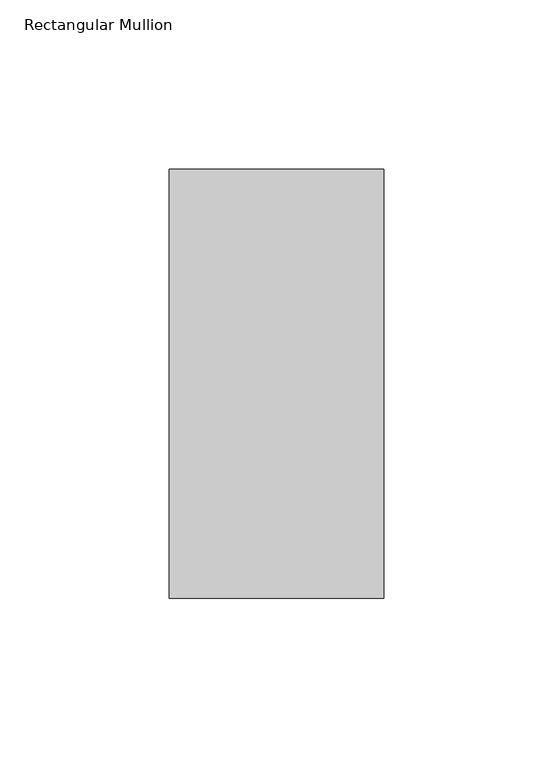
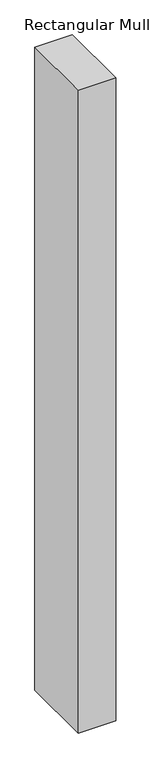
"""IFC4 building model written with IfcOpenShell, lengths in millimetres: member geometry, Rectangular Mullion."""

from ifc_helpers import new_model, si_unit, frame, origin, place, context, project, spatial, polyline, outline, extrude, source, transform, mapped, element, save


def rectangular_mullion_336b7b32(model_context):
    return source(origin(), model_context, "Body", "SweptSolid", [
        extrude(outline(polyline([(-31.7684923, -63.5), (-31.7684923, 63.5), (31.7609665, 63.5), (31.7609665, -63.5), (-31.7684923, -63.5)])), frame((0.0, 0.0, -1151.4560459), z_axis=(0.0, 0.0, 1.0), x_axis=(1.0, 0.0, 0.0)), (0.0, 0.0, 1.0), 1151.4560459),
    ])


if __name__ == "__main__":
    model = new_model("IFC4")
    model_context = context("Model", 3, world=origin())
    ifc_project = project(units=[si_unit("LENGTHUNIT", "METRE", prefix="MILLI")], contexts=[model_context])
    site = spatial("IfcSite", under=ifc_project)
    building = spatial("IfcBuilding", under=site)
    placement = place(None, origin())
    rectangular_mullion_shape = rectangular_mullion_336b7b32(model_context)
    element("IfcMember", 1, ObjectType="Rectangular Mullion", at=placement, inside=building, context=model_context, shape_type="MappedRepresentation", body=[
        mapped(rectangular_mullion_shape, transform((0.0, 0.0, 0.0), x_axis=(1.0, 0.0, 0.0), y_axis=(0.0, 1.0, 0.0), z_axis=(0.0, 0.0, 1.0))),
    ])
    save(model, "model.ifc")
